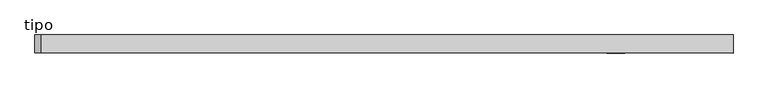
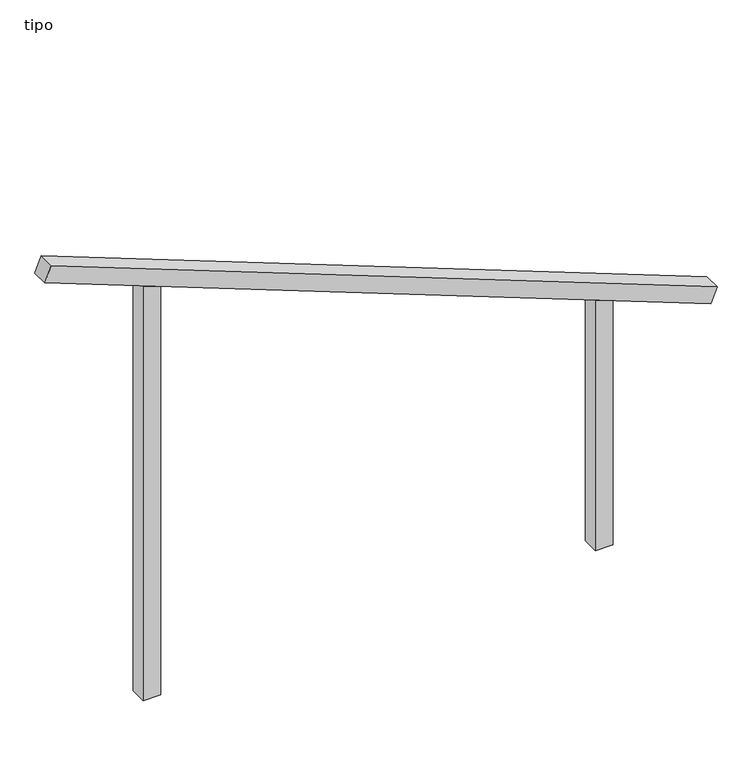
"""IFC4 building model written with IfcOpenShell, lengths in millimetres: proxy geometry, tipo."""

from ifc_helpers import new_model, si_unit, frame, origin, place, context, project, spatial, polyline, outline, extrude, source, transform, mapped, element, save


def tipo_b5d6afe8(model_context):
    return source(origin(), model_context, "Body", "SweptSolid", [
        extrude(outline(polyline([(0.0, -4100.0), (0.0, 0.0), (100.0, 0.0), (100.0, -4100.0), (0.0, -4100.0)])), frame((-1914.1604621, -100.0, 2733.8185915), z_axis=(0.3579602885364281, 0.0, 0.933736810793554), x_axis=(0.0, 1.0, 0.0)), (0.0, 0.0, 1.0), 100.0),
        extrude(outline(polyline([(1482.4597425, 1350.0), (1520.7960578, 1250.0), (0.0, 1250.0), (0.0, 1350.0), (1482.4597425, 1350.0)])), frame((0.0, -100.0, 0.0), z_axis=(0.0, 1.0, 0.0), x_axis=(0.0, 0.0, 1.0)), (0.0, 0.0, 1.0), 100.0),
        extrude(outline(polyline([(2517.5402575, -1350.0), (0.0, -1350.0), (0.0, -1250.0), (2479.2039422, -1250.0), (2517.5402575, -1350.0)])), frame((0.0, -100.0, 0.0), z_axis=(0.0, 1.0, 0.0), x_axis=(0.0, 0.0, 1.0)), (0.0, 0.0, 1.0), 100.0),
    ])


if __name__ == "__main__":
    model = new_model("IFC4")
    model_context = context("Model", 3, world=origin())
    ifc_project = project(units=[si_unit("LENGTHUNIT", "METRE", prefix="MILLI")], contexts=[model_context])
    site = spatial("IfcSite", under=ifc_project)
    building = spatial("IfcBuilding", under=site)
    placement = place(None, origin())
    tipo_shape = tipo_b5d6afe8(model_context)
    element("IfcBuildingElementProxy", 1, Name="tipo", ObjectType="tipo", at=placement, inside=building, context=model_context, shape_type="MappedRepresentation", body=[
        mapped(tipo_shape, transform((0.0, 0.0, 0.0), x_axis=(1.0, 0.0, 0.0), y_axis=(0.0, 1.0, 0.0), z_axis=(0.0, 0.0, 1.0))),
    ])
    save(model, "model.ifc")
